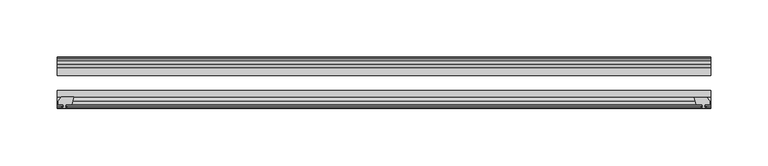
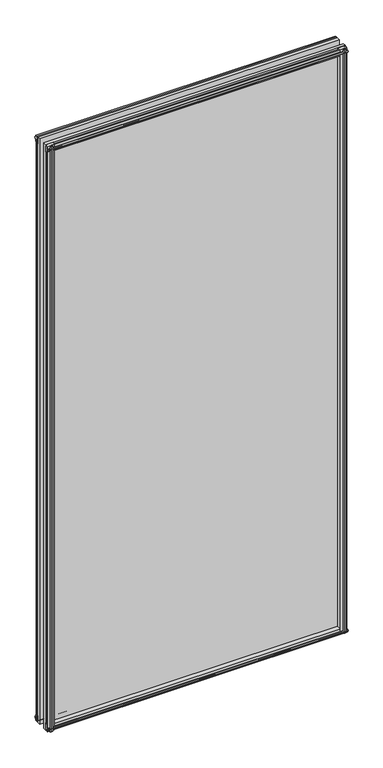
"""IFC4 building model written with IfcOpenShell, lengths in millimetres: plate geometry."""

from ifc_helpers import new_model, si_unit, frame, origin, place, context, project, spatial, polyline, outline, extrude, source, transform, mapped, element, save


def plate_699b5208(model_context):
    return source(origin(), model_context, "Body", "SweptSolid", [
        extrude(outline(polyline([(-271.3322819, -83.1453125), (-273.05, -89.4953125), (-278.257, -89.4953125), (-278.638, -91.8755095), (-277.2224709, -91.4155762), (-277.2224709, -92.2167904), (-279.4, -92.9243125), (-281.577529, -92.2167904), (-281.577529, -91.4155762), (-280.162, -91.8755095), (-280.543, -89.4953125), (-284.988, -89.4953125), (-284.988, -86.5489125), (-282.1536578, -83.1453125), (-271.3322819, -83.1453125)])), frame((0.0, 0.0, -12.4587), z_axis=(0.0, 0.0, 1.0), x_axis=(1.0, 0.0, 0.0)), (0.0, 0.0, 1.0), 1180.6173978),
        extrude(outline(polyline([(271.3538926, -83.2252021), (282.1752685, -83.2252021), (285.0096107, -86.6288021), (285.0096107, -89.5752021), (280.5646107, -89.5752021), (280.1836107, -91.9553991), (281.5991397, -91.4954658), (281.5991397, -92.29668), (279.4216107, -93.0042021), (277.2440816, -92.29668), (277.2440816, -91.4954658), (278.6596107, -91.9553991), (278.2786107, -89.5752021), (273.0716107, -89.5752021), (271.3538926, -83.2252021)])), frame((0.0, 0.0, -9.0482291), z_axis=(0.0, 0.0, 1.0), x_axis=(1.0, 0.0, 0.0)), (0.0, 0.0, 1.0), 1177.2069269),
        extrude(outline(polyline([(-280.6827, -49.0151155), (-282.098229, -49.4750488), (-282.098229, -48.6738346), (-279.9207, -47.9663125), (-277.7431709, -48.6738346), (-277.7431709, -49.4750488), (-279.1587, -49.0151155), (-278.7777, -51.3953125), (-273.5707, -51.3953125), (-271.8529819, -57.7453125), (-282.6743578, -57.7453125), (-285.5087, -54.3417125), (-285.5087, -51.3953125), (-281.0637, -51.3953125), (-280.6827, -49.0151155)])), frame((0.0, 0.0, -12.4587), z_axis=(0.0, 0.0, 1.0), x_axis=(1.0, 0.0, 0.0)), (0.0, 0.0, 1.0), 1174.2673978),
        extrude(outline(polyline([(271.8529819, -57.7453125), (273.5707, -51.3953125), (278.7777, -51.3953125), (279.1587, -49.0151155), (277.7431709, -49.4750488), (277.7431709, -48.6738346), (279.9207, -47.9663125), (282.098229, -48.6738346), (282.098229, -49.4750488), (280.6827, -49.0151155), (281.0637, -51.3953125), (285.5087, -51.3953125), (285.5087, -54.3417125), (282.6743578, -57.7453125), (271.8529819, -57.7453125)])), frame((0.0, 0.0, -12.4587), z_axis=(0.0, 0.0, 1.0), x_axis=(1.0, 0.0, 0.0)), (0.0, 0.0, 1.0), 1174.2673978),
        extrude(outline(polyline([(-48.6738346, -4.6931709), (-47.9663125, -6.8707), (-48.6738346, -9.0482291), (-49.4750488, -9.0482291), (-49.0151155, -7.6327), (-51.3953125, -8.0137), (-51.3953125, -12.4587), (-54.3417125, -12.4587), (-57.7453125, -9.6243578), (-57.7453125, 1.1970181), (-51.3953125, -0.5207), (-51.3953125, -5.7277), (-49.0151155, -6.1087), (-49.4750488, -4.6931709), (-48.6738346, -4.6931709)])), frame((-285.75, 0.0, 0.0), z_axis=(1.0, 0.0, 0.0), x_axis=(0.0, 1.0, 0.0)), (0.0, 0.0, 1.0), 571.5),
        extrude(outline(polyline([(-83.1453125, 1.7177181), (-83.1453125, -9.1036578), (-86.5489125, -11.938), (-89.4953125, -11.938), (-89.4953125, -7.493), (-91.8755095, -7.112), (-91.4155762, -8.5275291), (-92.2167904, -8.5275291), (-92.9243125, -6.35), (-92.2167904, -4.1724709), (-91.4155762, -4.1724709), (-91.8755095, -5.588), (-89.4953125, -5.207), (-89.4953125, 0.0), (-83.1453125, 1.7177181)])), frame((-285.75, 0.0, 0.0), z_axis=(1.0, 0.0, 0.0), x_axis=(0.0, 1.0, 0.0)), (0.0, 0.0, 1.0), 571.5),
        extrude(outline(polyline([(-49.0151155, 1163.3326978), (-49.4750488, 1164.7482269), (-48.6738346, 1164.7482269), (-47.9663125, 1162.5706978), (-48.6738346, 1160.3931688), (-49.4750488, 1160.3931688), (-49.0151155, 1161.8086978), (-51.3953125, 1161.4276978), (-51.3953125, 1156.2206978), (-57.7453125, 1154.5029798), (-57.7453125, 1165.3243557), (-54.3417125, 1168.1586978), (-51.3953125, 1168.1586978), (-51.3953125, 1163.7136978), (-49.0151155, 1163.3326978)])), frame((-285.75, 0.0, 0.0), z_axis=(1.0, 0.0, 0.0), x_axis=(0.0, 1.0, 0.0)), (0.0, 0.0, 1.0), 571.5),
        extrude(outline(polyline([(-89.4953125, 1167.6379978), (-86.5489125, 1167.6379978), (-83.1453125, 1164.8036557), (-83.1453125, 1153.9822798), (-89.4953125, 1155.6999978), (-89.4953125, 1160.9069978), (-91.8755095, 1161.2879978), (-91.4155762, 1159.8724688), (-92.2167904, 1159.8724688), (-92.9243125, 1162.0499978), (-92.2167904, 1164.2275269), (-91.4155762, 1164.2275269), (-91.8755095, 1162.8119978), (-89.4953125, 1163.1929978), (-89.4953125, 1167.6379978)])), frame((-285.75, 0.0, 0.0), z_axis=(1.0, 0.0, 0.0), x_axis=(0.0, 1.0, 0.0)), (0.0, 0.0, 1.0), 571.5),
        extrude(outline(polyline([(-285.75, -57.7453125), (285.75, -57.7453125), (285.75, -64.0953125), (-285.75, -64.0953125), (-285.75, -57.7453125)])), frame((0.0, 0.0, -12.7), z_axis=(0.0, 0.0, 1.0), x_axis=(1.0, 0.0, 0.0)), (0.0, 0.0, 1.0), 1181.0999978),
        extrude(outline(polyline([(-285.75, -77.1178925), (285.75, -77.1178925), (285.75, -83.1453125), (-285.75, -83.1453125), (-285.75, -77.1178925)])), frame((0.0, 0.0, -12.7), z_axis=(0.0, 0.0, 1.0), x_axis=(1.0, 0.0, 0.0)), (0.0, 0.0, 1.0), 1181.0999978),
    ])


if __name__ == "__main__":
    model = new_model("IFC4")
    model_context = context("Model", 3, world=origin())
    ifc_project = project(units=[si_unit("LENGTHUNIT", "METRE", prefix="MILLI")], contexts=[model_context])
    site = spatial("IfcSite", under=ifc_project)
    building = spatial("IfcBuilding", under=site)
    placement = place(None, origin())
    plate_shape = plate_699b5208(model_context)
    element("IfcPlate", 1, at=placement, inside=building, context=model_context, shape_type="MappedRepresentation", body=[
        mapped(plate_shape, transform((0.0, 0.0, 0.0), x_axis=(1.0, 0.0, 0.0), y_axis=(0.0, 1.0, 0.0), z_axis=(0.0, 0.0, 1.0))),
    ])
    save(model, "model.ifc")
